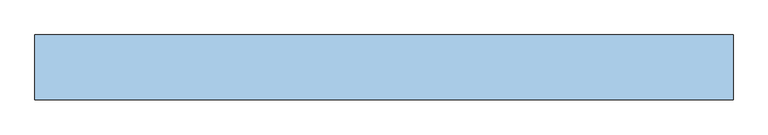
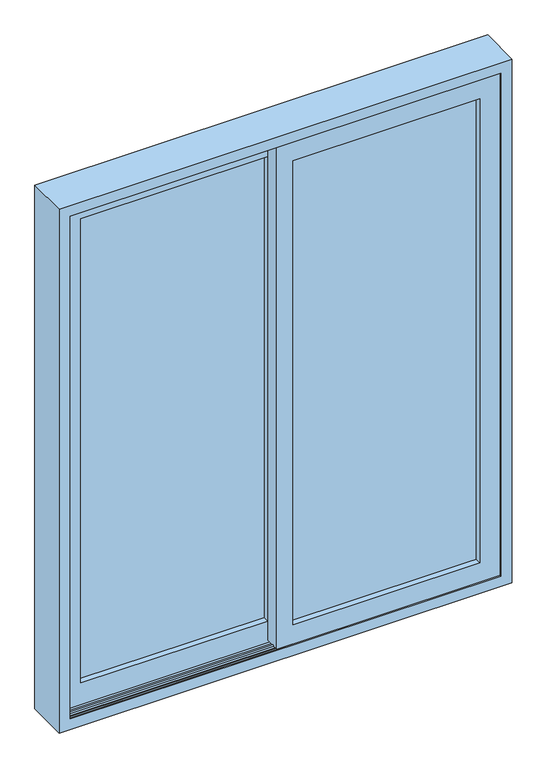
"""IFC4 building model written with IfcOpenShell, lengths in millimetres: window geometry."""

from ifc_helpers import new_model, si_unit, point, frame, frame_2d, origin, place, context, project, spatial, polyline, circle_curve, ellipse_curve, trimmed, segment, composite_curve, outline, extrude, faceted_brep, source, transform, mapped, element, save
from ifc_brep_helpers import plane_surface, cylinder_surface, revolved_surface, advanced_brep


def window_8a2faf4f(model_context):
    return source(origin(), model_context, "Body", "SolidModel", [
        extrude(outline(composite_curve([segment(trimmed(circle_curve(frame_2d((60.1, 45.0)), 4.0), [point((56.1, 45.0))], [point((64.1, 45.0))], False, "CARTESIAN"), True, "CONTINUOUS"), segment(polyline([(64.1, 45.0), (56.1, 45.0)]), True, "CONTINUOUS")], self_intersect=False)), frame((-855.0, 0.0, 0.0), z_axis=(1.0, 0.0, 0.0), x_axis=(0.0, 1.0, 0.0)), (0.0, 0.0, 1.0), 1710.0),
        extrude(outline(composite_curve([segment(trimmed(circle_curve(frame_2d((-53.4, 45.0)), 4.0), [point((-57.4, 45.0))], [point((-49.4, 45.0))], False, "CARTESIAN"), True, "CONTINUOUS"), segment(polyline([(-49.4, 45.0), (-57.4, 45.0)]), True, "CONTINUOUS")], self_intersect=False)), frame((-855.0, 0.0, 0.0), z_axis=(1.0, 0.0, 0.0), x_axis=(0.0, 1.0, 0.0)), (0.0, 0.0, 1.0), 822.55),
        extrude(outline(composite_curve([segment(polyline([(13.6, 45.0), (5.6, 45.0)]), True, "CONTINUOUS"), segment(trimmed(circle_curve(frame_2d((9.6, 45.0)), 4.0), [point((5.6, 45.0))], [point((13.6, 45.0))], False, "CARTESIAN"), True, "CONTINUOUS")], self_intersect=False)), frame((-855.0, 0.0, 0.0), z_axis=(1.0, 0.0, 0.0), x_axis=(0.0, 1.0, 0.0)), (0.0, 0.0, 1.0), 1710.0),
        extrude(outline(polyline([(39.6042276, 50.5), (791.0, 50.5), (791.0, 49.5), (39.6042276, 49.5), (39.6042276, 50.5)])), frame((0.0, 0.0, 106.0), z_axis=(0.0, 0.0, 1.0), x_axis=(1.0, 0.0, 0.0)), (0.0, 0.0, 1.0), 1985.0),
        advanced_brep(
        [(-35.45, 69.1, 2166.0), (-35.45, 72.9, 2166.0), (-35.45, 72.9, 31.0), (-35.45, 69.1, 31.0), (866.0, 72.9, 2166.0), (866.0, 72.9, 31.0), (10.55, 72.9, 77.0), (820.0, 72.9, 77.0), (820.0, 72.9, 2120.0), (10.55, 72.9, 2120.0), (866.0, 69.1, 31.0), (866.0, 69.1, 2166.0), (-25.45, 69.1, 2156.0), (856.0, 69.1, 2156.0), (856.0, 69.1, 41.0), (-25.45, 69.1, 41.0), (-25.45, 71.1, 2156.0), (-25.45, 71.1, 41.0), (856.0, 71.1, 41.0), (856.0, 71.1, 2156.0), (8.55, 71.1, 2122.0), (822.0, 71.1, 2122.0), (822.0, 71.1, 75.0), (8.55, 71.1, 75.0), (8.55, 49.1, 2122.0), (8.55, 49.1, 75.0), (822.0, 49.1, 75.0), (-25.45, 49.1, 2156.0), (856.0, 49.1, 2156.0), (856.0, 49.1, 41.0), (-25.45, 49.1, 41.0), (822.0, 49.1, 2122.0), (-25.45, 51.1, 2156.0), (-25.45, 51.1, 41.0), (856.0, 51.1, 41.0), (-35.45, 51.1, 2166.0), (866.0, 51.1, 2166.0), (866.0, 51.1, 31.0), (-35.45, 51.1, 31.0), (856.0, 51.1, 2156.0), (-35.45, 47.1, 2166.0), (-35.45, 47.1, 31.0), (866.0, 47.1, 31.0), (866.0, 47.1, 2166.0), (10.55, 47.1, 2120.0), (820.0, 47.1, 2120.0), (820.0, 47.1, 77.0), (10.55, 47.1, 77.0), (10.55, 55.1, 2120.0), (10.55, 55.1, 77.0), (820.0, 55.1, 77.0), (820.0, 55.1, 2120.0), (30.55, 55.1, 2100.0), (800.0, 55.1, 2100.0), (800.0, 55.1, 97.0), (30.55, 55.1, 97.0), (30.55, 49.1, 2100.0), (30.55, 49.1, 97.0), (800.0, 49.1, 97.0), (29.55, 49.1, 2101.0), (801.0, 49.1, 2101.0), (801.0, 49.1, 96.0), (29.55, 49.1, 96.0), (800.0, 49.1, 2100.0), (29.55, 47.1, 2101.0), (29.55, 47.1, 96.0), (801.0, 47.1, 96.0), (801.0, 47.1, 2101.0), (32.55, 47.1, 2098.0), (798.0, 47.1, 2098.0), (798.0, 47.1, 99.0), (32.55, 47.1, 99.0), (32.55, 55.1, 2098.0), (32.55, 55.1, 99.0), (798.0, 55.1, 99.0), (798.0, 55.1, 2098.0), (37.55, 55.1, 2093.0), (793.0, 55.1, 2093.0), (793.0, 55.1, 104.0), (37.55, 55.1, 104.0), (37.55, 51.1, 2093.0), (37.55, 51.1, 104.0), (793.0, 51.1, 104.0), (36.55, 51.1, 2094.0), (794.0, 51.1, 2094.0), (794.0, 51.1, 103.0), (36.55, 51.1, 103.0), (793.0, 51.1, 2093.0), (36.55, 49.1, 2094.0), (36.55, 49.1, 103.0), (794.0, 49.1, 103.0), (794.0, 49.1, 2094.0), (39.55, 49.1, 2091.0), (791.0, 49.1, 2091.0), (791.0, 49.1, 106.0), (39.55, 49.1, 106.0), (39.55, 67.9, 2091.0), (39.55, 67.9, 106.0), (791.0, 67.9, 106.0), (35.55, 71.9, 2095.0), (35.55, 71.9, 102.0), (795.0, 71.9, 102.0), (35.55, 69.9, 2095.0), (35.55, 69.9, 102.0), (795.0, 69.9, 102.0), (37.55, 67.9, 2093.0), (37.55, 67.9, 104.0), (793.0, 67.9, 104.0), (37.55, 64.9, 2093.0), (37.55, 64.9, 104.0), (793.0, 64.9, 104.0), (10.55, 64.9, 2120.0), (820.0, 64.9, 2120.0), (820.0, 64.9, 77.0), (10.55, 64.9, 77.0), (793.0, 64.9, 2093.0), (791.0, 67.9, 2091.0), (795.0, 71.9, 2095.0), (795.0, 69.9, 2095.0), (793.0, 67.9, 2093.0)],
        [
            (0, 1),
            (1, 2),
            (2, 3),
            (3, 0),
            (1, 4),
            (4, 5),
            (5, 2),
            (6, 7),
            (7, 8),
            (8, 9),
            (9, 6),
            (5, 10),
            (10, 3),
            (10, 11),
            (11, 0),
            (12, 13),
            (13, 14),
            (14, 15),
            (15, 12),
            (16, 12),
            (15, 17),
            (17, 16),
            (14, 18),
            (18, 17),
            (18, 19),
            (19, 16),
            (20, 21),
            (21, 22),
            (22, 23),
            (23, 20),
            (24, 20),
            (23, 25),
            (25, 24),
            (22, 26),
            (26, 25),
            (27, 28),
            (28, 29),
            (29, 30),
            (30, 27),
            (26, 31),
            (31, 24),
            (32, 27),
            (30, 33),
            (33, 32),
            (29, 34),
            (34, 33),
            (35, 36),
            (36, 37),
            (37, 38),
            (38, 35),
            (34, 39),
            (39, 32),
            (40, 35),
            (38, 41),
            (41, 40),
            (37, 42),
            (42, 41),
            (42, 43),
            (43, 40),
            (44, 45),
            (45, 46),
            (46, 47),
            (47, 44),
            (48, 44),
            (47, 49),
            (49, 48),
            (46, 50),
            (50, 49),
            (50, 51),
            (51, 48),
            (52, 53),
            (53, 54),
            (54, 55),
            (55, 52),
            (56, 52),
            (55, 57),
            (57, 56),
            (54, 58),
            (58, 57),
            (59, 60),
            (60, 61),
            (61, 62),
            (62, 59),
            (58, 63),
            (63, 56),
            (64, 59),
            (62, 65),
            (65, 64),
            (61, 66),
            (66, 65),
            (66, 67),
            (67, 64),
            (68, 69),
            (69, 70),
            (70, 71),
            (71, 68),
            (72, 68),
            (71, 73),
            (73, 72),
            (70, 74),
            (74, 73),
            (74, 75),
            (75, 72),
            (76, 77),
            (77, 78),
            (78, 79),
            (79, 76),
            (80, 76),
            (79, 81),
            (81, 80),
            (78, 82),
            (82, 81),
            (83, 84),
            (84, 85),
            (85, 86),
            (86, 83),
            (82, 87),
            (87, 80),
            (88, 83),
            (86, 89),
            (89, 88),
            (85, 90),
            (90, 89),
            (90, 91),
            (91, 88),
            (92, 93),
            (93, 94),
            (94, 95),
            (95, 92),
            (96, 92),
            (95, 97),
            (97, 96),
            (94, 98),
            (98, 97),
            (99, 96, ellipse_curve(frame((35.55, 67.9, 2095.0), z_axis=(-0.7071067811865475, 0.0, -0.7071067811865475), x_axis=(-0.7071067811865474, 0.0, 0.7071067811865476)), 5.6568542, 4.0)),
            (97, 100, ellipse_curve(frame((35.55, 67.9, 102.0), z_axis=(-0.7071067811865475, 0.0, 0.7071067811865475), x_axis=(0.7071067811865474, 0.0, 0.7071067811865476)), 5.6568542, 4.0)),
            (100, 99),
            (98, 101, ellipse_curve(frame((795.0, 67.9, 102.0), z_axis=(-0.7071067811865475, 0.0, -0.7071067811865475), x_axis=(-0.7071067811865476, 0.0, 0.7071067811865474)), 5.6568542, 4.0)),
            (101, 100),
            (102, 99),
            (100, 103),
            (103, 102),
            (101, 104),
            (104, 103),
            (105, 102, ellipse_curve(frame((35.55, 67.9, 2095.0), z_axis=(0.7071067811865475, 0.0, 0.7071067811865475), x_axis=(0.7071067811865474, 0.0, -0.7071067811865476)), 2.8284271, 2.0)),
            (103, 106, ellipse_curve(frame((35.55, 67.9, 102.0), z_axis=(0.7071067811865475, 0.0, -0.7071067811865475), x_axis=(-0.7071067811865474, 0.0, -0.7071067811865476)), 2.8284271, 2.0)),
            (106, 105),
            (104, 107, ellipse_curve(frame((795.0, 67.9, 102.0), z_axis=(0.7071067811865475, 0.0, 0.7071067811865475), x_axis=(0.7071067811865476, 0.0, -0.7071067811865474)), 2.8284271, 2.0)),
            (107, 106),
            (108, 105),
            (106, 109),
            (109, 108),
            (107, 110),
            (110, 109),
            (111, 112),
            (112, 113),
            (113, 114),
            (114, 111),
            (110, 115),
            (115, 108),
            (9, 111),
            (114, 6),
            (113, 7),
            (4, 11),
            (13, 19),
            (21, 31),
            (28, 39),
            (36, 43),
            (45, 51),
            (53, 63),
            (60, 67),
            (69, 75),
            (77, 87),
            (84, 91),
            (93, 116),
            (116, 98),
            (116, 117, ellipse_curve(frame((795.0, 67.9, 2095.0), z_axis=(0.7071067811865475, 0.0, -0.7071067811865475), x_axis=(-0.7071067811865474, 0.0, -0.7071067811865476)), 5.6568542, 4.0)),
            (117, 101),
            (117, 118),
            (118, 104),
            (118, 119, ellipse_curve(frame((795.0, 67.9, 2095.0), z_axis=(-0.7071067811865475, 0.0, 0.7071067811865475), x_axis=(0.7071067811865474, 0.0, 0.7071067811865476)), 2.8284271, 2.0)),
            (119, 107),
            (119, 115),
            (112, 8),
            (96, 116),
            (99, 117),
            (102, 118),
            (105, 119),
        ],
        [
            plane_surface(frame((-35.45, 72.9, 2166.0), z_axis=(-1.0, 0.0, 0.0), x_axis=(0.0, 0.0, -1.0))),
            plane_surface(frame((820.0, 72.9, 2120.0), z_axis=(0.0, 1.0, 0.0), x_axis=(-1.0, 0.0, 0.0))),
            plane_surface(frame((-35.45, 72.9, 31.0), z_axis=(0.0, 0.0, -1.0), x_axis=(1.0, 0.0, 0.0))),
            plane_surface(frame((866.0, 69.1, 2166.0), z_axis=(0.0, -1.0, 0.0), x_axis=(-1.0, 0.0, 0.0))),
            plane_surface(frame((-25.45, 69.1, 2156.0), z_axis=(1.0, 0.0, 0.0), x_axis=(0.0, 0.0, -1.0))),
            plane_surface(frame((-25.45, 69.1, 41.0), z_axis=(0.0, 0.0, 1.0), x_axis=(1.0, 0.0, 0.0))),
            plane_surface(frame((856.0, 71.1, 2156.0), z_axis=(0.0, -1.0, 0.0), x_axis=(-1.0, 0.0, 0.0))),
            plane_surface(frame((8.55, 71.1, 2122.0), z_axis=(-1.0, 0.0, 0.0), x_axis=(0.0, 0.0, -1.0))),
            plane_surface(frame((8.55, 71.1, 75.0), z_axis=(0.0, 0.0, -1.0), x_axis=(1.0, 0.0, 0.0))),
            plane_surface(frame((822.0, 49.1, 2122.0), z_axis=(0.0, 1.0, 0.0), x_axis=(-1.0, 0.0, 0.0))),
            plane_surface(frame((-25.45, 49.1, 2156.0), z_axis=(1.0, 0.0, 0.0), x_axis=(0.0, 0.0, -1.0))),
            plane_surface(frame((-25.45, 49.1, 41.0), z_axis=(0.0, 0.0, 1.0), x_axis=(1.0, 0.0, 0.0))),
            plane_surface(frame((856.0, 51.1, 2156.0), z_axis=(0.0, 1.0, 0.0), x_axis=(-1.0, 0.0, 0.0))),
            plane_surface(frame((-35.45, 51.1, 2166.0), z_axis=(-1.0, 0.0, 0.0), x_axis=(0.0, 0.0, -1.0))),
            plane_surface(frame((-35.45, 51.1, 31.0), z_axis=(0.0, 0.0, -1.0), x_axis=(1.0, 0.0, 0.0))),
            plane_surface(frame((866.0, 47.1, 2166.0), z_axis=(0.0, -1.0, 0.0), x_axis=(-1.0, 0.0, 0.0))),
            plane_surface(frame((10.55, 47.1, 2120.0), z_axis=(1.0, 0.0, 0.0), x_axis=(0.0, 0.0, -1.0))),
            plane_surface(frame((10.55, 47.1, 77.0), z_axis=(0.0, 0.0, 1.0), x_axis=(1.0, 0.0, 0.0))),
            plane_surface(frame((820.0, 55.1, 2120.0), z_axis=(0.0, -1.0, 0.0), x_axis=(-1.0, 0.0, 0.0))),
            plane_surface(frame((30.55, 55.1, 2100.0), z_axis=(-1.0, 0.0, 0.0), x_axis=(0.0, 0.0, -1.0))),
            plane_surface(frame((30.55, 55.1, 97.0), z_axis=(0.0, 0.0, -1.0), x_axis=(1.0, 0.0, 0.0))),
            plane_surface(frame((800.0, 49.1, 2100.0), z_axis=(0.0, 1.0, 0.0), x_axis=(-1.0, 0.0, 0.0))),
            plane_surface(frame((29.55, 49.1, 2101.0), z_axis=(-1.0, 0.0, 0.0), x_axis=(0.0, 0.0, -1.0))),
            plane_surface(frame((29.55, 49.1, 96.0), z_axis=(0.0, 0.0, -1.0), x_axis=(1.0, 0.0, 0.0))),
            plane_surface(frame((801.0, 47.1, 2101.0), z_axis=(0.0, -1.0, 0.0), x_axis=(-1.0, 0.0, 0.0))),
            plane_surface(frame((32.55, 47.1, 2098.0), z_axis=(1.0, 0.0, 0.0), x_axis=(0.0, 0.0, -1.0))),
            plane_surface(frame((32.55, 47.1, 99.0), z_axis=(0.0, 0.0, 1.0), x_axis=(1.0, 0.0, 0.0))),
            plane_surface(frame((798.0, 55.1, 2098.0), z_axis=(0.0, -1.0, 0.0), x_axis=(-1.0, 0.0, 0.0))),
            plane_surface(frame((37.55, 55.1, 2093.0), z_axis=(-1.0, 0.0, 0.0), x_axis=(0.0, 0.0, -1.0))),
            plane_surface(frame((37.55, 55.1, 104.0), z_axis=(0.0, 0.0, -1.0), x_axis=(1.0, 0.0, 0.0))),
            plane_surface(frame((793.0, 51.1, 2093.0), z_axis=(0.0, 1.0, 0.0), x_axis=(-1.0, 0.0, 0.0))),
            plane_surface(frame((36.55, 51.1, 2094.0), z_axis=(-1.0, 0.0, 0.0), x_axis=(0.0, 0.0, -1.0))),
            plane_surface(frame((36.55, 51.1, 103.0), z_axis=(0.0, 0.0, -1.0), x_axis=(1.0, 0.0, 0.0))),
            plane_surface(frame((794.0, 49.1, 2094.0), z_axis=(0.0, -1.0, 0.0), x_axis=(-1.0, 0.0, 0.0))),
            plane_surface(frame((39.55, 49.1, 2091.0), z_axis=(1.0, 0.0, 0.0), x_axis=(0.0, 0.0, -1.0))),
            plane_surface(frame((39.55, 49.1, 106.0), z_axis=(0.0, 0.0, 1.0), x_axis=(1.0, 0.0, 0.0))),
            cylinder_surface(frame((35.55, 67.9, 2163.0), z_axis=(0.0, 0.0, 1.0), x_axis=(-1.0, 0.0, 0.0)), 4.0),
            cylinder_surface(frame((-32.45, 67.9, 102.0), z_axis=(-1.0, 0.0, 0.0), x_axis=(0.0, 0.0, -1.0)), 4.0),
            plane_surface(frame((35.55, 71.9, 2095.0), z_axis=(-1.0, 0.0, 0.0), x_axis=(0.0, 0.0, -1.0))),
            plane_surface(frame((35.55, 71.9, 102.0), z_axis=(0.0, 0.0, -1.0), x_axis=(1.0, 0.0, 0.0))),
            revolved_surface(polyline([(33.55, 67.9, 100.00000001749822), (33.55, 67.9, 2096.999999982502)]), (35.55, 67.9, 2163.0), (0.0, 0.0, -1.0)),
            revolved_surface(polyline([(796.9999999825018, 67.9, 100.0), (33.55000001749819, 67.9, 100.0)]), (-32.45, 67.9, 102.0), (1.0, 0.0, 0.0)),
            plane_surface(frame((37.55, 67.9, 2093.0), z_axis=(-1.0, 0.0, 0.0), x_axis=(0.0, 0.0, -1.0))),
            plane_surface(frame((37.55, 67.9, 104.0), z_axis=(0.0, 0.0, -1.0), x_axis=(1.0, 0.0, 0.0))),
            plane_surface(frame((793.0, 64.9, 2093.0), z_axis=(0.0, 1.0, 0.0), x_axis=(-1.0, 0.0, 0.0))),
            plane_surface(frame((10.55, 64.9, 2120.0), z_axis=(1.0, 0.0, 0.0), x_axis=(0.0, 0.0, -1.0))),
            plane_surface(frame((10.55, 64.9, 77.0), z_axis=(0.0, 0.0, 1.0), x_axis=(1.0, 0.0, 0.0))),
            plane_surface(frame((866.0, 72.9, 31.0), z_axis=(1.0, 0.0, 0.0), x_axis=(0.0, 0.0, 1.0))),
            plane_surface(frame((856.0, 69.1, 41.0), z_axis=(-1.0, 0.0, 0.0), x_axis=(0.0, 0.0, 1.0))),
            plane_surface(frame((822.0, 71.1, 75.0), z_axis=(1.0, 0.0, 0.0), x_axis=(0.0, 0.0, 1.0))),
            plane_surface(frame((856.0, 49.1, 41.0), z_axis=(-1.0, 0.0, 0.0), x_axis=(0.0, 0.0, 1.0))),
            plane_surface(frame((866.0, 51.1, 31.0), z_axis=(1.0, 0.0, 0.0), x_axis=(0.0, 0.0, 1.0))),
            plane_surface(frame((820.0, 47.1, 77.0), z_axis=(-1.0, 0.0, 0.0), x_axis=(0.0, 0.0, 1.0))),
            plane_surface(frame((800.0, 55.1, 97.0), z_axis=(1.0, 0.0, 0.0), x_axis=(0.0, 0.0, 1.0))),
            plane_surface(frame((801.0, 49.1, 96.0), z_axis=(1.0, 0.0, 0.0), x_axis=(0.0, 0.0, 1.0))),
            plane_surface(frame((798.0, 47.1, 99.0), z_axis=(-1.0, 0.0, 0.0), x_axis=(0.0, 0.0, 1.0))),
            plane_surface(frame((793.0, 55.1, 104.0), z_axis=(1.0, 0.0, 0.0), x_axis=(0.0, 0.0, 1.0))),
            plane_surface(frame((794.0, 51.1, 103.0), z_axis=(1.0, 0.0, 0.0), x_axis=(0.0, 0.0, 1.0))),
            plane_surface(frame((791.0, 49.1, 106.0), z_axis=(-1.0, 0.0, 0.0), x_axis=(0.0, 0.0, 1.0))),
            cylinder_surface(frame((795.0, 67.9, 34.0), z_axis=(0.0, 0.0, -1.0), x_axis=(1.0, 0.0, 0.0)), 4.0),
            plane_surface(frame((795.0, 71.9, 102.0), z_axis=(1.0, 0.0, 0.0), x_axis=(0.0, 0.0, 1.0))),
            revolved_surface(polyline([(797.0, 67.9, 2096.999999982502), (797.0, 67.9, 100.0000000174982)]), (795.0, 67.9, 34.0), (0.0, 0.0, 1.0)),
            plane_surface(frame((793.0, 67.9, 104.0), z_axis=(1.0, 0.0, 0.0), x_axis=(0.0, 0.0, 1.0))),
            plane_surface(frame((820.0, 64.9, 77.0), z_axis=(-1.0, 0.0, 0.0), x_axis=(0.0, 0.0, 1.0))),
            plane_surface(frame((866.0, 72.9, 2166.0), z_axis=(0.0, 0.0, 1.0), x_axis=(-1.0, 0.0, 0.0))),
            plane_surface(frame((856.0, 69.1, 2156.0), z_axis=(0.0, 0.0, -1.0), x_axis=(-1.0, 0.0, 0.0))),
            plane_surface(frame((822.0, 71.1, 2122.0), z_axis=(0.0, 0.0, 1.0), x_axis=(-1.0, 0.0, 0.0))),
            plane_surface(frame((856.0, 49.1, 2156.0), z_axis=(0.0, 0.0, -1.0), x_axis=(-1.0, 0.0, 0.0))),
            plane_surface(frame((866.0, 51.1, 2166.0), z_axis=(0.0, 0.0, 1.0), x_axis=(-1.0, 0.0, 0.0))),
            plane_surface(frame((820.0, 47.1, 2120.0), z_axis=(0.0, 0.0, -1.0), x_axis=(-1.0, 0.0, 0.0))),
            plane_surface(frame((800.0, 55.1, 2100.0), z_axis=(0.0, 0.0, 1.0), x_axis=(-1.0, 0.0, 0.0))),
            plane_surface(frame((801.0, 49.1, 2101.0), z_axis=(0.0, 0.0, 1.0), x_axis=(-1.0, 0.0, 0.0))),
            plane_surface(frame((798.0, 47.1, 2098.0), z_axis=(0.0, 0.0, -1.0), x_axis=(-1.0, 0.0, 0.0))),
            plane_surface(frame((793.0, 55.1, 2093.0), z_axis=(0.0, 0.0, 1.0), x_axis=(-1.0, 0.0, 0.0))),
            plane_surface(frame((794.0, 51.1, 2094.0), z_axis=(0.0, 0.0, 1.0), x_axis=(-1.0, 0.0, 0.0))),
            plane_surface(frame((791.0, 49.1, 2091.0), z_axis=(0.0, 0.0, -1.0), x_axis=(-1.0, 0.0, 0.0))),
            cylinder_surface(frame((863.0, 67.9, 2095.0), z_axis=(1.0, 0.0, 0.0), x_axis=(0.0, 0.0, 1.0)), 4.0),
            plane_surface(frame((795.0, 71.9, 2095.0), z_axis=(0.0, 0.0, 1.0), x_axis=(-1.0, 0.0, 0.0))),
            revolved_surface(polyline([(33.55000001749818, 67.9, 2097.0), (796.9999999825018, 67.9, 2097.0)]), (863.0, 67.9, 2095.0), (-1.0, 0.0, 0.0)),
            plane_surface(frame((793.0, 67.9, 2093.0), z_axis=(0.0, 0.0, 1.0), x_axis=(-1.0, 0.0, 0.0))),
            plane_surface(frame((820.0, 64.9, 2120.0), z_axis=(0.0, 0.0, -1.0), x_axis=(-1.0, 0.0, 0.0))),
        ],
        [
            (0, [[1, 2, 3, 4]]),
            (1, [[5, 6, 7, -2], [8, 9, 10, 11]]),
            (2, [[-3, -7, 12, 13]]),
            (3, [[-13, 14, 15, -4], [16, 17, 18, 19]]),
            (4, [[20, -19, 21, 22]]),
            (5, [[-21, -18, 23, 24]]),
            (6, [[-24, 25, 26, -22], [27, 28, 29, 30]]),
            (7, [[31, -30, 32, 33]]),
            (8, [[-32, -29, 34, 35]]),
            (9, [[36, 37, 38, 39], [-35, 40, 41, -33]]),
            (10, [[42, -39, 43, 44]]),
            (11, [[-43, -38, 45, 46]]),
            (12, [[47, 48, 49, 50], [-46, 51, 52, -44]]),
            (13, [[53, -50, 54, 55]]),
            (14, [[-54, -49, 56, 57]]),
            (15, [[-57, 58, 59, -55], [60, 61, 62, 63]]),
            (16, [[64, -63, 65, 66]]),
            (17, [[-65, -62, 67, 68]]),
            (18, [[-68, 69, 70, -66], [71, 72, 73, 74]]),
            (19, [[75, -74, 76, 77]]),
            (20, [[-76, -73, 78, 79]]),
            (21, [[80, 81, 82, 83], [-79, 84, 85, -77]]),
            (22, [[86, -83, 87, 88]]),
            (23, [[-87, -82, 89, 90]]),
            (24, [[-90, 91, 92, -88], [93, 94, 95, 96]]),
            (25, [[97, -96, 98, 99]]),
            (26, [[-98, -95, 100, 101]]),
            (27, [[-101, 102, 103, -99], [104, 105, 106, 107]]),
            (28, [[108, -107, 109, 110]]),
            (29, [[-109, -106, 111, 112]]),
            (30, [[113, 114, 115, 116], [-112, 117, 118, -110]]),
            (31, [[119, -116, 120, 121]]),
            (32, [[-120, -115, 122, 123]]),
            (33, [[-123, 124, 125, -121], [126, 127, 128, 129]]),
            (34, [[130, -129, 131, 132]]),
            (35, [[-131, -128, 133, 134]]),
            (36, [[135, -132, 136, 137]]),
            (37, [[-136, -134, 138, 139]]),
            (38, [[140, -137, 141, 142]]),
            (39, [[-141, -139, 143, 144]]),
            (40, [[145, -142, 146, 147]]),
            (41, [[-146, -144, 148, 149]]),
            (42, [[150, -147, 151, 152]]),
            (43, [[-151, -149, 153, 154]]),
            (44, [[155, 156, 157, 158], [-154, 159, 160, -152]]),
            (45, [[161, -158, 162, -11]]),
            (46, [[-162, -157, 163, -8]]),
            (47, [[-12, -6, 164, -14]]),
            (48, [[-23, -17, 165, -25]]),
            (49, [[-34, -28, 166, -40]]),
            (50, [[-45, -37, 167, -51]]),
            (51, [[-56, -48, 168, -58]]),
            (52, [[-67, -61, 169, -69]]),
            (53, [[-78, -72, 170, -84]]),
            (54, [[-89, -81, 171, -91]]),
            (55, [[-100, -94, 172, -102]]),
            (56, [[-111, -105, 173, -117]]),
            (57, [[-122, -114, 174, -124]]),
            (58, [[-133, -127, 175, 176]]),
            (59, [[-138, -176, 177, 178]]),
            (60, [[-143, -178, 179, 180]]),
            (61, [[-148, -180, 181, 182]]),
            (62, [[-153, -182, 183, -159]]),
            (63, [[-163, -156, 184, -9]]),
            (64, [[-164, -5, -1, -15]]),
            (65, [[-165, -16, -20, -26]]),
            (66, [[-166, -27, -31, -41]]),
            (67, [[-167, -36, -42, -52]]),
            (68, [[-168, -47, -53, -59]]),
            (69, [[-169, -60, -64, -70]]),
            (70, [[-170, -71, -75, -85]]),
            (71, [[-171, -80, -86, -92]]),
            (72, [[-172, -93, -97, -103]]),
            (73, [[-173, -104, -108, -118]]),
            (74, [[-174, -113, -119, -125]]),
            (75, [[-175, -126, -130, 185]]),
            (76, [[-177, -185, -135, 186]]),
            (77, [[-179, -186, -140, 187]]),
            (78, [[-181, -187, -145, 188]]),
            (79, [[-183, -188, -150, -160]]),
            (80, [[-184, -155, -161, -10]]),
        ],
    ),
        faceted_brep([(32.45, -78.4, 2166.0), (32.45, -78.4, 2155.0), (-32.45, -78.4, 2155.0), (-32.45, -78.4, 45.0), (32.45, -78.4, 45.0), (32.45, -78.4, 34.0), (866.0, -78.4, 34.0), (866.0, -78.4, 2166.0), (32.45, -78.4, 2074.5), (774.5, -78.4, 2074.5), (774.5, -78.4, 125.5), (32.45, -78.4, 125.5), (774.5, -28.4, 2074.5), (774.5, -28.4, 125.5), (32.45, -28.4, 125.5), (32.45, -28.4, 2074.5), (32.45, -73.4, 45.0), (32.45, -33.4, 45.0), (32.45, -33.4, 63.7), (32.45, -41.4, 63.7), (32.45, -41.4, 79.7), (32.45, -65.4, 79.7), (32.45, -65.4, 63.7), (32.45, -73.4, 63.7), (32.45, -33.4, 2155.0), (32.45, -73.4, 2155.0), (32.45, -73.4, 2136.3), (32.45, -65.4, 2136.3), (32.45, -65.4, 2120.3), (32.45, -41.4, 2120.3), (32.45, -41.4, 2136.3), (32.45, -33.4, 2136.3), (-32.45, -17.4, 2155.0), (-32.45, -17.4, 45.0), (-15.45, -17.4, 45.0), (-15.45, -23.4, 45.0), (-4.45, -23.4, 45.0), (-4.45, -18.2, 45.0), (1.55, -18.2, 45.0), (1.55, -20.2, 45.0), (-1.55, -20.2, 45.0), (-1.55, -28.4, 45.0), (32.45, -28.4, 45.0), (32.45, -28.4, 34.0), (32.45, -33.4, 34.0), (32.45, -73.4, 34.0), (866.0, -73.4, 34.0), (866.0, -73.4, 2166.0), (32.45, -73.4, 2166.0), (836.3, -73.4, 63.7), (836.3, -73.4, 2136.3), (836.3, -65.4, 63.7), (836.3, -65.4, 2136.3), (820.3, -65.4, 79.7), (820.3, -65.4, 2120.3), (820.3, -41.4, 79.7), (820.3, -41.4, 2120.3), (836.3, -41.4, 63.7), (836.3, -41.4, 2136.3), (836.3, -33.4, 63.7), (836.3, -33.4, 2136.3), (866.0, -33.4, 34.0), (866.0, -33.4, 2166.0), (32.45, -33.4, 2166.0), (866.0, -28.4, 34.0), (866.0, -28.4, 2166.0), (-1.55, -28.4, 2155.0), (32.45, -28.4, 2155.0), (32.45, -28.4, 2166.0), (-1.55, -20.2, 2155.0), (-15.45, -17.4, 2155.0), (-15.45, -23.4, 2155.0), (-4.45, -23.4, 2155.0), (-4.45, -18.2, 2155.0), (1.55, -18.2, 2155.0), (1.55, -20.2, 2155.0)], [[[0, 1, 2, 3, 4, 5, 6, 7], [8, 9, 10, 11]], [[9, 12, 13, 10]], [[11, 10, 13, 14]], [[8, 11, 14, 15]], [[16, 17, 18, 19, 20, 21, 22, 23]], [[24, 25, 26, 27, 28, 29, 30, 31]], [[2, 32, 33, 3]], [[4, 3, 33, 34, 35, 36, 37, 38, 39, 40, 41, 42, 17, 16]], [[43, 44, 17, 42]], [[45, 5, 4, 16]], [[6, 5, 45, 46]], [[7, 6, 46, 47]], [[48, 47, 46, 45, 16, 23, 49, 50, 26, 25]], [[49, 23, 22, 51]], [[50, 49, 51, 52]], [[27, 52, 51, 22, 21, 53, 54, 28]], [[53, 21, 20, 55]], [[54, 53, 55, 56]], [[29, 56, 55, 20, 19, 57, 58, 30]], [[57, 19, 18, 59]], [[58, 57, 59, 60]], [[31, 60, 59, 18, 17, 44, 61, 62, 63, 24]], [[61, 44, 43, 64]], [[62, 61, 64, 65]], [[43, 42, 41, 66, 67, 68, 65, 64], [12, 15, 14, 13]], [[69, 66, 41, 40]], [[32, 70, 34, 33]], [[70, 71, 35, 34]], [[71, 72, 36, 35]], [[72, 73, 37, 36]], [[73, 74, 38, 37]], [[74, 75, 39, 38]], [[75, 69, 40, 39]], [[0, 48, 25, 1]], [[63, 68, 67, 24]], [[15, 12, 9, 8]], [[48, 0, 7, 47]], [[26, 50, 52, 27]], [[28, 54, 56, 29]], [[30, 58, 60, 31]], [[68, 63, 62, 65]], [[67, 66, 69, 75, 74, 73, 72, 71, 70, 32, 2, 1, 25, 24]]]),
        extrude(outline(polyline([(774.5, -54.4), (32.45, -54.4), (32.45, -48.4), (774.5, -48.4), (774.5, -54.4)])), frame((0.0, 0.0, 125.5), z_axis=(0.0, 0.0, 1.0), x_axis=(1.0, 0.0, 0.0)), (0.0, 0.0, 1.0), 1949.0),
        extrude(outline(polyline([(774.5, -42.4), (32.45, -42.4), (32.45, -36.4), (774.5, -36.4), (774.5, -42.4)])), frame((0.0, 0.0, 125.5), z_axis=(0.0, 0.0, 1.0), x_axis=(1.0, 0.0, 0.0)), (0.0, 0.0, 1.0), 1949.0),
        extrude(outline(polyline([(-32.45, 8.6), (-774.5, 8.6), (-774.5, 14.6), (-32.45, 14.6), (-32.45, 8.6)])), frame((0.0, 0.0, 125.5), z_axis=(0.0, 0.0, 1.0), x_axis=(1.0, 0.0, 0.0)), (0.0, 0.0, 1.0), 1949.0),
        extrude(outline(polyline([(-32.45, 20.6), (-774.5, 20.6), (-774.5, 26.6), (-32.45, 26.6), (-32.45, 20.6)])), frame((0.0, 0.0, 125.5), z_axis=(0.0, 0.0, 1.0), x_axis=(1.0, 0.0, 0.0)), (0.0, 0.0, 1.0), 1949.0),
        faceted_brep([(32.45, 34.6, 34.0), (32.45, -26.4, 34.0), (15.45, -26.4, 34.0), (15.45, -20.4, 34.0), (4.45, -20.4, 34.0), (4.45, -25.6, 34.0), (-1.55, -25.6, 34.0), (-1.55, -23.6, 34.0), (1.55, -23.6, 34.0), (1.55, -15.4, 34.0), (-866.0, -15.4, 34.0), (-866.0, -10.4, 34.0), (-32.45, -10.4, 34.0), (-32.45, 29.6, 34.0), (-866.0, 29.6, 34.0), (-866.0, 34.6, 34.0), (32.45, 34.6, 2155.0), (32.45, -26.4, 2155.0), (15.45, -26.4, 2155.0), (15.45, -20.4, 2155.0), (4.45, -20.4, 2155.0), (4.45, -25.6, 2155.0), (-1.55, -25.6, 2155.0), (-1.55, -23.6, 2155.0), (1.55, -23.6, 2155.0), (1.55, -15.4, 2155.0), (-32.45, -15.4, 2155.0), (-32.45, -15.4, 2166.0), (-866.0, -15.4, 2166.0), (-32.45, -15.4, 2074.5), (-32.45, -15.4, 125.5), (-774.5, -15.4, 125.5), (-774.5, -15.4, 2074.5), (-866.0, -10.4, 2166.0), (-32.45, -10.4, 2136.3), (-836.3, -10.4, 2136.3), (-836.3, -10.4, 63.7), (-32.45, -10.4, 63.7), (-32.45, -10.4, 2166.0), (-32.45, -10.4, 2155.0), (-32.45, -2.4, 63.7), (-32.45, -2.4, 79.7), (-32.45, 21.6, 79.7), (-32.45, 21.6, 63.7), (-32.45, 29.6, 63.7), (-32.45, 34.6, 2074.5), (-32.45, 34.6, 125.5), (-32.45, 29.6, 2155.0), (-32.45, 29.6, 2136.3), (-32.45, 21.6, 2136.3), (-32.45, 21.6, 2120.3), (-32.45, -2.4, 2120.3), (-32.45, -2.4, 2136.3), (-32.45, 29.6, 2166.0), (-866.0, 29.6, 2166.0), (-836.3, 29.6, 63.7), (-836.3, 29.6, 2136.3), (-866.0, 34.6, 2166.0), (-32.45, 34.6, 2155.0), (-32.45, 34.6, 2166.0), (-774.5, 34.6, 2074.5), (-774.5, 34.6, 125.5), (-836.3, -2.4, 63.7), (-820.3, -2.4, 2120.3), (-820.3, -2.4, 79.7), (-836.3, -2.4, 2136.3), (-820.3, 21.6, 79.7), (-836.3, 21.6, 2136.3), (-836.3, 21.6, 63.7), (-820.3, 21.6, 2120.3)], [[[0, 1, 2, 3, 4, 5, 6, 7, 8, 9, 10, 11, 12, 13, 14, 15]], [[16, 17, 1, 0]], [[17, 18, 2, 1]], [[18, 19, 3, 2]], [[19, 20, 4, 3]], [[20, 21, 5, 4]], [[21, 22, 6, 5]], [[22, 23, 7, 6]], [[23, 24, 8, 7]], [[24, 25, 9, 8]], [[25, 26, 27, 28, 10, 9], [29, 30, 31, 32]], [[33, 11, 10, 28]], [[34, 35, 36, 37, 12, 11, 33, 38, 39]], [[13, 12, 37, 40, 41, 42, 43, 44]], [[45, 46, 30, 29]], [[39, 47, 48, 49, 50, 51, 52, 34]], [[53, 54, 14, 13, 44, 55, 56, 48, 47]], [[57, 15, 14, 54]], [[58, 16, 0, 15, 57, 59], [46, 45, 60, 61]], [[62, 40, 37, 36]], [[51, 63, 64, 41, 40, 62, 65, 52]], [[66, 42, 41, 64]], [[49, 67, 68, 43, 42, 66, 69, 50]], [[55, 44, 43, 68]], [[46, 61, 31, 30]], [[61, 60, 32, 31]], [[56, 55, 68, 67]], [[69, 66, 64, 63]], [[65, 62, 36, 35]], [[26, 25, 24, 23, 22, 21, 20, 19, 18, 17, 16, 58, 47, 39]], [[59, 53, 47, 58]], [[38, 27, 26, 39]], [[53, 59, 57, 54]], [[48, 56, 67, 49]], [[50, 69, 63, 51]], [[52, 65, 35, 34]], [[27, 38, 33, 28]], [[60, 45, 29, 32]]]),
        faceted_brep([(-857.0, 53.6, 43.0), (-855.0, 55.6, 45.0), (-855.0, 55.6, 2155.0), (-857.0, 53.6, 2157.0), (-855.0, 64.6, 45.0), (-855.0, 64.6, 2155.0), (855.0, 55.6, 45.0), (855.0, 64.6, 45.0), (-857.0, 66.6, 43.0), (-857.0, 66.6, 2157.0), (882.0, 13.6, 18.0), (-882.0, 13.6, 18.0), (-882.0, 13.6, 2182.0), (882.0, 13.6, 2182.0), (863.0, 13.6, 37.0), (863.0, 13.6, 2163.0), (-863.0, 13.6, 2163.0), (-863.0, 13.6, 37.0), (-882.0, 56.1, 18.0), (-882.0, 56.1, 2182.0), (882.0, 56.1, 18.0), (882.0, 56.1, 2182.0), (863.0, 56.1, 2163.0), (863.0, 56.1, 37.0), (-863.0, 56.1, 37.0), (-863.0, 56.1, 2163.0), (855.0, 55.6, 2155.0), (855.0, 64.6, 2155.0), (857.0, 66.6, 2157.0), (857.0, 66.6, 43.0), (857.0, 53.6, 43.0), (857.0, 53.6, 2157.0), (863.0, 25.6, 2163.0), (863.0, 25.6, 37.0), (-863.0, 25.6, 37.0), (-863.0, 25.6, 2163.0), (857.0, 25.6, 43.0), (857.0, 25.6, 2157.0), (-857.0, 25.6, 2157.0), (-857.0, 25.6, 43.0), (855.0, 23.6, 2155.0), (855.0, 23.6, 45.0), (-855.0, 23.6, 45.0), (855.0, -4.4, 45.0), (855.0, -4.4, 2155.0), (-855.0, -4.4, 45.0), (857.0, -6.4, 43.0), (857.0, -6.4, 2157.0), (-857.0, -6.4, 43.0), (863.0, -6.4, 37.0), (863.0, -6.4, 2163.0), (-863.0, -6.4, 2163.0), (-863.0, -6.4, 37.0), (-857.0, -6.4, 2157.0), (863.0, 5.6, 2163.0), (863.0, 5.6, 37.0), (-863.0, 5.6, 37.0), (882.0, 5.6, 2182.0), (-882.0, 5.6, 2182.0), (-882.0, 5.6, 18.0), (882.0, 5.6, 18.0), (-863.0, 5.6, 2163.0), (-855.0, 23.6, 2155.0), (-855.0, -4.4, 2155.0), (-882.0, -49.4, 2182.0), (-882.0, -49.4, 18.0), (882.0, -49.4, 18.0), (882.0, -49.4, 2182.0), (863.0, -37.4, 2163.0), (863.0, -49.4, 2163.0), (863.0, -49.4, 37.0), (863.0, -37.4, 37.0), (-863.0, -49.4, 2163.0), (-863.0, -49.4, 37.0), (-863.0, -37.4, 37.0), (-863.0, -37.4, 2163.0), (857.0, -37.4, 43.0), (857.0, -37.4, 2157.0), (-857.0, -37.4, 2157.0), (-857.0, -37.4, 43.0), (855.0, -39.4, 2155.0), (855.0, -39.4, 45.0), (-855.0, -39.4, 45.0), (855.0, -67.4, 45.0), (855.0, -67.4, 2155.0), (-855.0, -67.4, 45.0), (857.0, -69.4, 43.0), (857.0, -69.4, 2157.0), (-857.0, -69.4, 43.0), (863.0, -69.4, 37.0), (863.0, -69.4, 2163.0), (-863.0, -69.4, 2163.0), (-863.0, -69.4, 37.0), (-857.0, -69.4, 2157.0), (863.0, -57.4, 2163.0), (863.0, -57.4, 37.0), (-863.0, -57.4, 37.0), (882.0, -57.4, 2182.0), (-882.0, -57.4, 2182.0), (-882.0, -57.4, 18.0), (882.0, -57.4, 18.0), (-863.0, -57.4, 2163.0), (855.0, -83.4, 2155.0), (855.0, -79.4, 2155.0), (855.0, -79.4, 45.0), (855.0, -83.4, 45.0), (882.0, -79.4, 18.0), (-882.0, -79.4, 18.0), (-882.0, -79.4, 2182.0), (882.0, -79.4, 2182.0), (-855.0, -79.4, 2155.0), (-855.0, -79.4, 45.0), (-855.0, -83.4, 45.0), (900.0, -83.4, 2200.0), (-900.0, -83.4, 2200.0), (-900.0, -83.4, 0.0), (900.0, -83.4, 0.0), (-855.0, -83.4, 2155.0), (-855.0, -39.4, 2155.0), (-855.0, -67.4, 2155.0), (-900.0, 83.4, 2200.0), (-900.0, 83.4, 0.0), (900.0, 83.4, 0.0), (900.0, 83.4, 2200.0), (883.0, 83.4, 17.0), (883.0, 83.4, 2183.0), (-883.0, 83.4, 2183.0), (-883.0, 83.4, 17.0), (883.0, 72.4, 2183.0), (883.0, 72.4, 17.0), (-883.0, 72.4, 17.0), (-883.0, 72.4, 2183.0), (882.0, 72.4, 18.0), (882.0, 72.4, 2182.0), (-882.0, 72.4, 2182.0), (-882.0, 72.4, 18.0), (882.0, 64.1, 2182.0), (882.0, 64.1, 18.0), (-882.0, 64.1, 18.0), (-882.0, 64.1, 2182.0), (863.0, 64.1, 37.0), (863.0, 64.1, 2163.0), (-863.0, 64.1, 2163.0), (-863.0, 64.1, 37.0), (863.0, 66.6, 2163.0), (863.0, 66.6, 37.0), (-863.0, 66.6, 37.0), (-863.0, 66.6, 2163.0), (863.0, 53.6, 37.0), (863.0, 53.6, 2163.0), (-863.0, 53.6, 2163.0), (-863.0, 53.6, 37.0)], [[[0, 1, 2, 3]], [[2, 1, 4, 5]], [[6, 7, 4, 1]], [[4, 8, 9, 5]], [[10, 11, 12, 13], [14, 15, 16, 17]], [[12, 11, 18, 19]], [[11, 10, 20, 18]], [[19, 18, 20, 21], [22, 23, 24, 25]], [[26, 27, 7, 6]], [[27, 28, 29, 7]], [[26, 6, 30, 31]], [[13, 21, 20, 10]], [[32, 15, 14, 33]], [[33, 14, 17, 34]], [[32, 33, 34, 35], [36, 37, 38, 39]], [[40, 37, 36, 41]], [[41, 36, 39, 42]], [[40, 41, 43, 44]], [[43, 41, 42, 45]], [[44, 43, 46, 47]], [[46, 43, 45, 48]], [[49, 50, 51, 52], [47, 46, 48, 53]], [[54, 50, 49, 55]], [[55, 49, 52, 56]], [[57, 58, 59, 60], [54, 55, 56, 61]], [[34, 17, 16, 35]], [[42, 39, 38, 62]], [[45, 42, 62, 63]], [[48, 45, 63, 53]], [[56, 52, 51, 61]], [[59, 58, 64, 65]], [[60, 59, 65, 66]], [[57, 60, 66, 67]], [[68, 69, 70, 71]], [[66, 65, 64, 67], [70, 69, 72, 73]], [[71, 70, 73, 74]], [[68, 71, 74, 75], [76, 77, 78, 79]], [[80, 77, 76, 81]], [[81, 76, 79, 82]], [[80, 81, 83, 84]], [[83, 81, 82, 85]], [[84, 83, 86, 87]], [[86, 83, 85, 88]], [[89, 90, 91, 92], [87, 86, 88, 93]], [[94, 90, 89, 95]], [[95, 89, 92, 96]], [[97, 98, 99, 100], [94, 95, 96, 101]], [[102, 103, 104, 105]], [[106, 107, 108, 109], [104, 103, 110, 111]], [[105, 104, 111, 112]], [[113, 114, 115, 116], [102, 105, 112, 117]], [[74, 73, 72, 75]], [[82, 79, 78, 118]], [[85, 82, 118, 119]], [[88, 85, 119, 93]], [[96, 92, 91, 101]], [[112, 111, 110, 117]], [[99, 98, 108, 107]], [[100, 99, 107, 106]], [[97, 100, 106, 109]], [[115, 114, 120, 121]], [[116, 115, 121, 122]], [[113, 116, 122, 123]], [[123, 122, 121, 120], [124, 125, 126, 127]], [[128, 125, 124, 129]], [[129, 124, 127, 130]], [[128, 129, 130, 131], [132, 133, 134, 135]], [[136, 133, 132, 137]], [[137, 132, 135, 138]], [[136, 137, 138, 139], [140, 141, 142, 143]], [[144, 141, 140, 145]], [[145, 140, 143, 146]], [[144, 145, 146, 147], [29, 28, 9, 8]], [[7, 29, 8, 4]], [[30, 6, 1, 0]], [[148, 149, 150, 151], [31, 30, 0, 3]], [[22, 149, 148, 23]], [[23, 148, 151, 24]], [[130, 127, 126, 131]], [[138, 135, 134, 139]], [[146, 143, 142, 147]], [[24, 151, 150, 25]], [[2, 5, 27, 26]], [[12, 19, 21, 13]], [[15, 32, 35, 16]], [[37, 40, 62, 38]], [[40, 44, 63, 62]], [[44, 47, 53, 63]], [[50, 54, 61, 51]], [[69, 68, 75, 72]], [[77, 80, 118, 78]], [[80, 84, 119, 118]], [[84, 87, 93, 119]], [[90, 94, 101, 91]], [[103, 102, 117, 110]], [[58, 57, 67, 64]], [[98, 97, 109, 108]], [[114, 113, 123, 120]], [[125, 128, 131, 126]], [[133, 136, 139, 134]], [[141, 144, 147, 142]], [[28, 27, 5, 9]], [[26, 31, 3, 2]], [[149, 22, 25, 150]]]),
    ])


if __name__ == "__main__":
    model = new_model("IFC4")
    model_context = context("Model", 3, world=origin())
    ifc_project = project(units=[si_unit("LENGTHUNIT", "METRE", prefix="MILLI")], contexts=[model_context])
    site = spatial("IfcSite", under=ifc_project)
    building = spatial("IfcBuilding", under=site)
    placement = place(None, origin())
    window_shape = window_8a2faf4f(model_context)
    element("IfcWindow", 1, at=placement, inside=building, context=model_context, shape_type="MappedRepresentation", body=[
        mapped(window_shape, transform((0.0, 0.0, 0.0), x_axis=(1.0, 0.0, 0.0), y_axis=(0.0, 1.0, 0.0), z_axis=(0.0, 0.0, 1.0))),
    ])
    save(model, "model.ifc")
